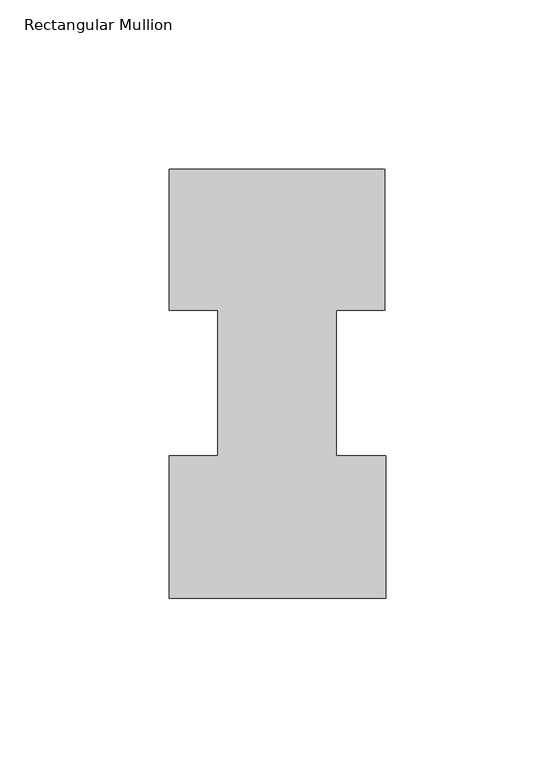
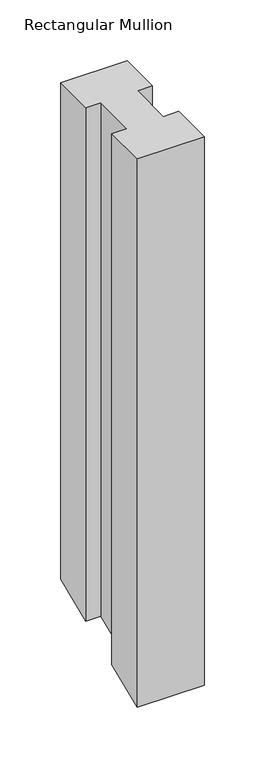
"""IFC4 building model written with IfcOpenShell, lengths in millimetres: member geometry, Rectangular Mullion."""

from ifc_helpers import new_model, si_unit, origin, place, context, project, spatial, faceted_brep, source, transform, mapped, element, save


def rectangular_mullion_63c7b43b(model_context):
    return source(origin(), model_context, "Body", "Brep", [
        faceted_brep([(-63.5, 0.2428875, 0.0), (0.2408142, 0.2428875, 0.0), (0.2408142, 42.2798875, 0.0), (-14.2748, 42.2798875, 0.0), (-14.2748, 85.1296875, 0.0), (0.0, 85.1296875, 0.0), (0.0, 126.7348875, 0.0), (-63.5, 126.7348875, 0.0), (-63.5, 85.1296875, 0.0), (-49.21504, 85.1296875, 0.0), (-49.21504, 42.2798875, 0.0), (-63.5, 42.2798875, 0.0), (-63.5, 0.2428875, -552.3493927), (0.2408142, 0.2428875, -552.3493927), (0.2408142, 42.2798875, -534.9370972), (-14.2748, 42.2798875, -534.9370972), (-14.2748, 85.1296875, -517.1881289), (0.0, 85.1296875, -517.1881289), (0.0, 126.7348875, -499.9546908), (-63.5, 126.7348875, -499.9546908), (-63.5, 85.1296875, -517.1881289), (-49.21504, 85.1296875, -517.1881289), (-49.21504, 42.2798875, -534.9370972), (-63.5, 42.2798875, -534.9370972)], [[[0, 1, 2, 3, 4, 5, 6, 7, 8, 9, 10, 11]], [[1, 0, 12, 13]], [[2, 1, 13, 14]], [[3, 2, 14, 15]], [[4, 3, 15, 16]], [[5, 4, 16, 17]], [[6, 5, 17, 18]], [[7, 6, 18, 19]], [[8, 7, 19, 20]], [[9, 8, 20, 21]], [[10, 9, 21, 22]], [[11, 10, 22, 23]], [[0, 11, 23, 12]], [[12, 23, 22, 21, 20, 19, 18, 17, 16, 15, 14, 13]]]),
    ])


if __name__ == "__main__":
    model = new_model("IFC4")
    model_context = context("Model", 3, world=origin())
    ifc_project = project(units=[si_unit("LENGTHUNIT", "METRE", prefix="MILLI")], contexts=[model_context])
    site = spatial("IfcSite", under=ifc_project)
    building = spatial("IfcBuilding", under=site)
    placement = place(None, origin())
    rectangular_mullion_shape = rectangular_mullion_63c7b43b(model_context)
    element("IfcMember", 1, ObjectType="Rectangular Mullion", at=placement, inside=building, context=model_context, shape_type="MappedRepresentation", body=[
        mapped(rectangular_mullion_shape, transform((0.0, 0.0, 0.0), x_axis=(1.0, 0.0, 0.0), y_axis=(0.0, 1.0, 0.0), z_axis=(0.0, 0.0, 1.0))),
    ])
    save(model, "model.ifc")
